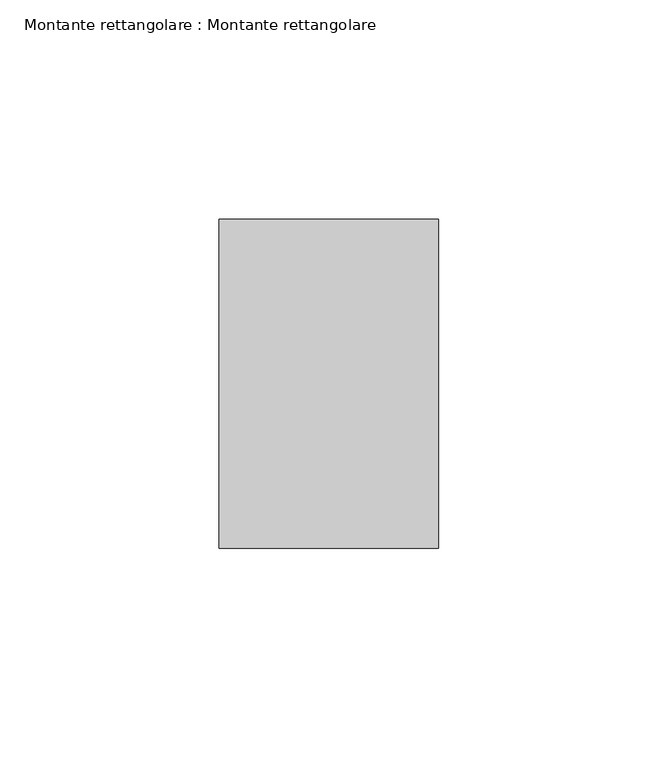
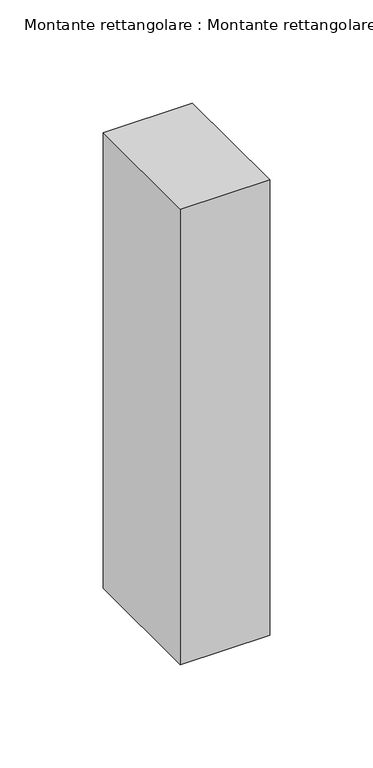
"""IFC4 building model written with IfcOpenShell, lengths in millimetres: member geometry, Montante rettangolare : Montante rettangolare."""

from ifc_helpers import new_model, si_unit, frame, origin, place, context, project, spatial, polyline, outline, extrude, source, transform, mapped, element, save


def montante_rettangolare_montante_rettangolare_b0a77599(model_context):
    return source(origin(), model_context, "Body", "SweptSolid", [
        extrude(outline(polyline([(25.0, 37.5), (25.0, -37.5), (-25.0, -37.5), (-25.0, 37.5), (25.0, 37.5)])), frame((0.0, 0.0, -269.6631173), z_axis=(0.0, 0.0, 1.0), x_axis=(1.0, 0.0, 0.0)), (0.0, 0.0, 1.0), 269.6631173),
    ])


if __name__ == "__main__":
    model = new_model("IFC4")
    model_context = context("Model", 3, world=origin())
    ifc_project = project(units=[si_unit("LENGTHUNIT", "METRE", prefix="MILLI")], contexts=[model_context])
    site = spatial("IfcSite", under=ifc_project)
    building = spatial("IfcBuilding", under=site)
    placement = place(None, origin())
    montante_rettangolare_montante_rettangolare_shape = montante_rettangolare_montante_rettangolare_b0a77599(model_context)
    element("IfcMember", 1, ObjectType="Montante rettangolare : Montante rettangolare", at=placement, inside=building, context=model_context, shape_type="MappedRepresentation", body=[
        mapped(montante_rettangolare_montante_rettangolare_shape, transform((0.0, 0.0, 0.0), x_axis=(1.0, 0.0, 0.0), y_axis=(0.0, 1.0, 0.0), z_axis=(0.0, 0.0, 1.0))),
    ])
    save(model, "model.ifc")
